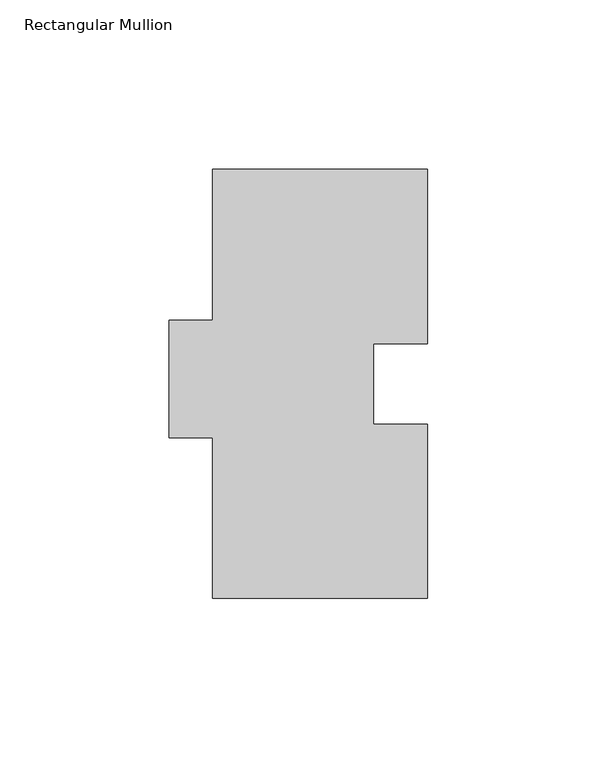
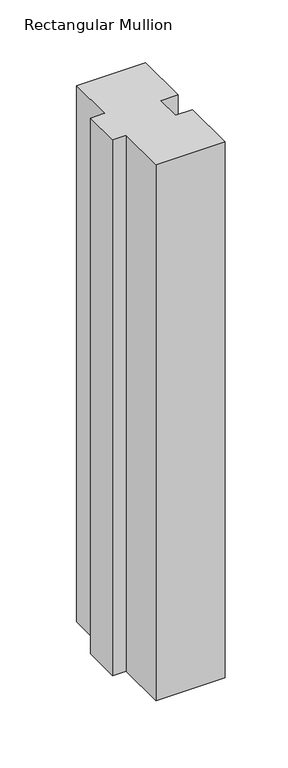
"""IFC4 building model written with IfcOpenShell, lengths in millimetres: member geometry, Rectangular Mullion."""

from ifc_helpers import new_model, si_unit, frame, origin, place, context, project, spatial, polyline, outline, extrude, source, transform, mapped, element, save


def rectangular_mullion_553d3984(model_context):
    return source(origin(), model_context, "Body", "SweptSolid", [
        extrude(outline(polyline([(-63.5, 126.7023438), (0.0, 126.7023438), (0.0, 75.3562438), (-15.875, 75.3562438), (-15.875, 51.5564438), (0.0, 51.5564438), (0.0, 0.2103438), (-63.5, 0.2103438), (-63.5, 47.5813438), (-76.2, 47.5813438), (-76.2, 82.2523438), (-63.5, 82.2523438), (-63.5, 126.7023438)])), frame((0.0, 0.0, -520.7), z_axis=(0.0, 0.0, 1.0), x_axis=(1.0, 0.0, 0.0)), (0.0, 0.0, 1.0), 520.7),
    ])


if __name__ == "__main__":
    model = new_model("IFC4")
    model_context = context("Model", 3, world=origin())
    ifc_project = project(units=[si_unit("LENGTHUNIT", "METRE", prefix="MILLI")], contexts=[model_context])
    site = spatial("IfcSite", under=ifc_project)
    building = spatial("IfcBuilding", under=site)
    placement = place(None, origin())
    rectangular_mullion_shape = rectangular_mullion_553d3984(model_context)
    element("IfcMember", 1, ObjectType="Rectangular Mullion", at=placement, inside=building, context=model_context, shape_type="MappedRepresentation", body=[
        mapped(rectangular_mullion_shape, transform((0.0, 0.0, 0.0), x_axis=(1.0, 0.0, 0.0), y_axis=(0.0, 1.0, 0.0), z_axis=(0.0, 0.0, 1.0))),
    ])
    save(model, "model.ifc")
